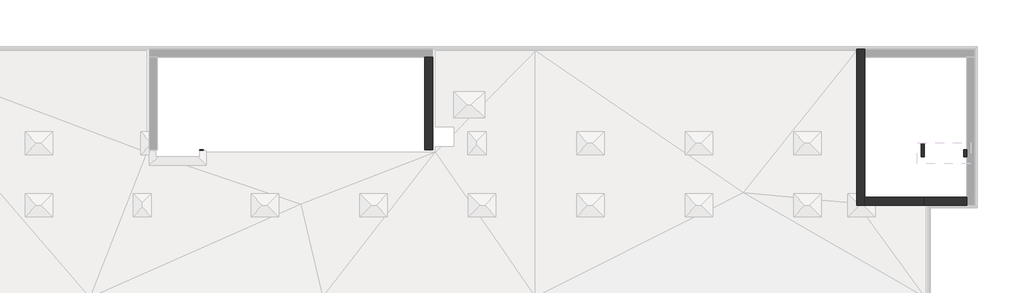
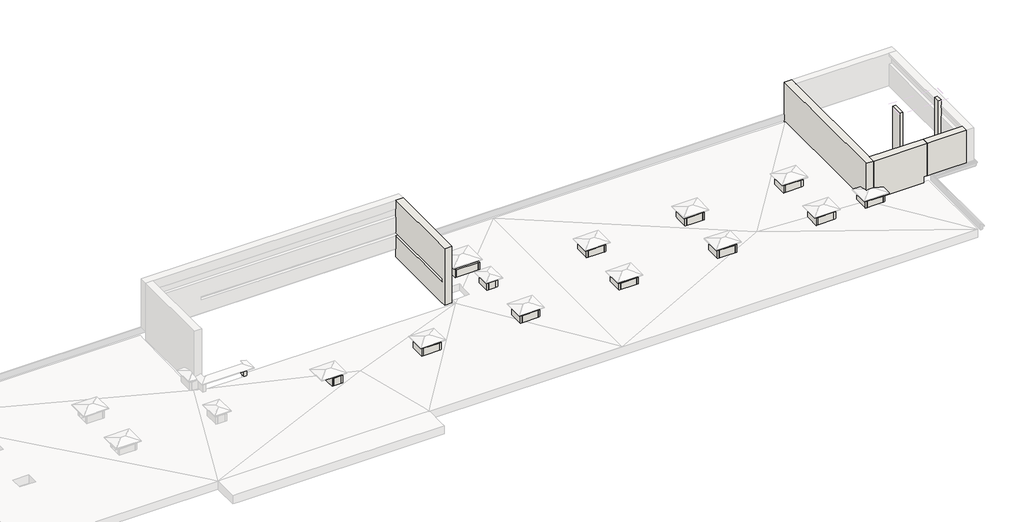
# One storey, part 2 of 5: 55 walls.
"""IFC4 building model written with IfcOpenShell, lengths in millimetres."""

from ifc_helpers import new_model, si_unit, frame, origin, place, context, project, spatial, polyline, outline, extrude, faceted_brep, element, save

model = new_model("IFC4")

# Units and contexts
model_context = context("Model", 3, world=origin())
ifc_project = project(units=[si_unit("LENGTHUNIT", "METRE", prefix="MILLI")], contexts=[model_context])

# Site, building, storey
site = spatial("IfcSite", under=ifc_project)
building = spatial("IfcBuilding", under=site)
storey = spatial("IfcBuildingStorey", under=building, Elevation=33100.0)

# Walls
placement = place(None, origin())
element("IfcWall", 1, at=placement, inside=storey, context=model_context, shape_type="Brep", body=[
    faceted_brep([(14710.0112841, 393.1079487, 33100.0), (14710.0112841, -4996.8920513, 33100.0), (14710.0112841, -5506.8920513, 33100.0), (14710.0112841, -5506.8920513, 36862.0), (14710.0112841, -5506.8920513, 37299.5128869), (14710.0112841, -5506.8920513, 37300.0), (14710.0112841, -4996.8920513, 37300.0), (14710.0112841, 393.1079487, 37300.0), (14710.0112841, 393.1079487, 34900.0), (14710.0112841, -4996.8920513, 34900.0), (14710.0112841, -5251.8920513, 34900.0), (14710.0112841, -5251.8920513, 34680.0), (14710.0112841, -4996.8920513, 34680.0), (14710.0112841, 393.1079487, 34680.0), (15220.0112841, -5506.8920513, 33100.0), (15220.0112841, -5296.8920513, 33100.0), (15220.0112841, -5096.8920513, 33100.0), (15220.0112841, -4046.8920513, 33100.0), (15220.0112841, -3846.8920513, 33100.0), (15220.0112841, 393.1079487, 33100.0), (15220.0112841, 393.1079487, 33700.0), (15220.0112841, 393.1079487, 36862.0), (15220.0112841, 393.1079487, 37299.5128869), (15220.0112841, 393.1079487, 37300.0), (15220.0112841, -5506.8920513, 37300.0), (15220.0112841, -5506.8920513, 37299.5128869), (15220.0112841, -5506.8920513, 36862.0), (14910.0112841, -5251.8920513, 34680.0), (14910.0112841, 393.1079487, 34680.0), (14910.0112841, 393.1079487, 34900.0), (14910.0112841, -5251.8920513, 34900.0)], [[[0, 1, 2, 3, 4, 5, 6, 7, 8, 9, 10, 11, 12, 13]], [[14, 15, 16, 17, 18, 19, 20, 21, 22, 23, 24, 25, 26]], [[2, 1, 0, 19, 18, 17, 16, 15, 14]], [[7, 6, 5, 24, 23]], [[2, 14, 26, 25, 24, 5, 4, 3]], [[11, 27, 28, 13, 12]], [[29, 30, 10, 9, 8]], [[30, 27, 11, 10]], [[27, 30, 29, 28]], [[7, 23, 22, 21, 20, 19, 0, 13, 28, 29, 8]]]),
])
element("IfcWall", 2, at=placement, inside=storey, context=model_context, shape_type="Brep", body=[
    faceted_brep([(10900.0112841, -9546.8920513, 33000.0), (10900.0112841, -9426.8920513, 33000.0), (10900.0112841, -8626.8920513, 33000.0), (10900.0112841, -8506.8920513, 33000.0), (10900.0112841, -8506.8920513, 33700.0), (10900.0112841, -8626.8920513, 33700.0), (10900.0112841, -9426.8920513, 33700.0), (10900.0112841, -9546.8920513, 33700.0), (10780.0112841, -9546.8920513, 33000.0), (10780.0112841, -9546.8920513, 33700.0), (10780.0112841, -8506.8920513, 33700.0), (10780.0112841, -8506.8920513, 33000.0)], [[[0, 1, 2, 3, 4, 5, 6, 7]], [[8, 9, 10, 11]], [[3, 2, 1, 0, 8, 11]], [[7, 6, 5, 4, 10, 9]], [[4, 3, 11, 10]], [[0, 7, 9, 8]]]),
])
element("IfcWall", 3, at=placement, inside=storey, context=model_context, shape_type="Brep", body=[
    faceted_brep([(10900.0112841, -8626.8920513, 33000.0), (12020.0112841, -8626.8920513, 33000.0), (12140.0112841, -8626.8920513, 33000.0), (12140.0112841, -8626.8920513, 33700.0), (12020.0112841, -8626.8920513, 33700.0), (10900.0112841, -8626.8920513, 33700.0), (10900.0112841, -8506.8920513, 33000.0), (10900.0112841, -8506.8920513, 33700.0), (12140.0112841, -8506.8920513, 33700.0), (12140.0112841, -8506.8920513, 33000.0)], [[[0, 1, 2, 3, 4, 5]], [[6, 7, 8, 9]], [[2, 1, 0, 6, 9]], [[5, 4, 3, 8, 7]], [[0, 5, 7, 6]], [[3, 2, 9, 8]]]),
])
element("IfcWall", 4, at=placement, inside=storey, context=model_context, shape_type="Brep", body=[
    faceted_brep([(12020.0112841, -8626.8920513, 33000.0), (12020.0112841, -9426.8920513, 33000.0), (12020.0112841, -9546.8920513, 33000.0), (12020.0112841, -9546.8920513, 33700.0), (12020.0112841, -9426.8920513, 33700.0), (12020.0112841, -8626.8920513, 33700.0), (12140.0112841, -8626.8920513, 33000.0), (12140.0112841, -8626.8920513, 33700.0), (12140.0112841, -9546.8920513, 33700.0), (12140.0112841, -9546.8920513, 33000.0)], [[[0, 1, 2, 3, 4, 5]], [[6, 7, 8, 9]], [[2, 1, 0, 6, 9]], [[5, 4, 3, 8, 7]], [[0, 5, 7, 6]], [[3, 2, 9, 8]]]),
])
element("IfcWall", 5, at=placement, inside=storey, context=model_context, shape_type="SweptSolid", body=[
    extrude(outline(polyline([(10900.0112841, -9426.8920513), (12020.0112841, -9426.8920513), (12020.0112841, -9546.8920513), (10900.0112841, -9546.8920513), (10900.0112841, -9426.8920513)])), frame((0.0, 0.0, 33000.0), z_axis=(0.0, 0.0, 1.0), x_axis=(1.0, 0.0, 0.0)), (0.0, 0.0, 1.0), 700.0),
])
element("IfcWall", 6, at=placement, inside=storey, context=model_context, shape_type="Brep", body=[
    faceted_brep([(4620.0112841, -9546.8920513, 33000.0), (4620.0112841, -9426.8920513, 33000.0), (4620.0112841, -8626.8920513, 33000.0), (4620.0112841, -8506.8920513, 33000.0), (4620.0112841, -8506.8920513, 33700.0), (4620.0112841, -8626.8920513, 33700.0), (4620.0112841, -9426.8920513, 33700.0), (4620.0112841, -9546.8920513, 33700.0), (4500.0112841, -9546.8920513, 33000.0), (4500.0112841, -9546.8920513, 33700.0), (4500.0112841, -8506.8920513, 33700.0), (4500.0112841, -8506.8920513, 33000.0)], [[[0, 1, 2, 3, 4, 5, 6, 7]], [[8, 9, 10, 11]], [[3, 2, 1, 0, 8, 11]], [[7, 6, 5, 4, 10, 9]], [[4, 3, 11, 10]], [[0, 7, 9, 8]]]),
])
element("IfcWall", 7, at=placement, inside=storey, context=model_context, shape_type="Brep", body=[
    faceted_brep([(4620.0112841, -8626.8920513, 33000.0), (5120.0112841, -8626.8920513, 33000.0), (5240.0112841, -8626.8920513, 33000.0), (5240.0112841, -8626.8920513, 33700.0), (5120.0112841, -8626.8920513, 33700.0), (4620.0112841, -8626.8920513, 33700.0), (4620.0112841, -8506.8920513, 33000.0), (4620.0112841, -8506.8920513, 33700.0), (5240.0112841, -8506.8920513, 33700.0), (5240.0112841, -8506.8920513, 33000.0)], [[[0, 1, 2, 3, 4, 5]], [[6, 7, 8, 9]], [[2, 1, 0, 6, 9]], [[5, 4, 3, 8, 7]], [[0, 5, 7, 6]], [[3, 2, 9, 8]]]),
])
element("IfcWall", 8, at=placement, inside=storey, context=model_context, shape_type="Brep", body=[
    faceted_brep([(5120.0112841, -8626.8920513, 33000.0), (5120.0112841, -9426.8920513, 33000.0), (5120.0112841, -9546.8920513, 33000.0), (5120.0112841, -9546.8920513, 33700.0), (5120.0112841, -9426.8920513, 33700.0), (5120.0112841, -8626.8920513, 33700.0), (5240.0112841, -8626.8920513, 33000.0), (5240.0112841, -8626.8920513, 33700.0), (5240.0112841, -9546.8920513, 33700.0), (5240.0112841, -9546.8920513, 33000.0)], [[[0, 1, 2, 3, 4, 5]], [[6, 7, 8, 9]], [[2, 1, 0, 6, 9]], [[5, 4, 3, 8, 7]], [[0, 5, 7, 6]], [[3, 2, 9, 8]]]),
])
element("IfcWall", 9, at=placement, inside=storey, context=model_context, shape_type="SweptSolid", body=[
    extrude(outline(polyline([(4620.0112841, -9426.8920513), (5120.0112841, -9426.8920513), (5120.0112841, -9546.8920513), (4620.0112841, -9546.8920513), (4620.0112841, -9426.8920513)])), frame((0.0, 0.0, 33000.0), z_axis=(0.0, 0.0, 1.0), x_axis=(1.0, 0.0, 0.0)), (0.0, 0.0, 1.0), 700.0),
])
element("IfcWall", 10, at=placement, inside=storey, context=model_context, shape_type="Brep", body=[
    faceted_brep([(17800.0112841, -9546.8920513, 33000.0), (17800.0112841, -9426.8920513, 33000.0), (17800.0112841, -8626.8920513, 33000.0), (17800.0112841, -8506.8920513, 33000.0), (17800.0112841, -8506.8920513, 33700.0), (17800.0112841, -8626.8920513, 33700.0), (17800.0112841, -9426.8920513, 33700.0), (17800.0112841, -9546.8920513, 33700.0), (17680.0112841, -9546.8920513, 33000.0), (17680.0112841, -9546.8920513, 33700.0), (17680.0112841, -8506.8920513, 33700.0), (17680.0112841, -8506.8920513, 33000.0)], [[[0, 1, 2, 3, 4, 5, 6, 7]], [[8, 9, 10, 11]], [[3, 2, 1, 0, 8, 11]], [[7, 6, 5, 4, 10, 9]], [[4, 3, 11, 10]], [[0, 7, 9, 8]]]),
])
element("IfcWall", 11, at=placement, inside=storey, context=model_context, shape_type="Brep", body=[
    faceted_brep([(17800.0112841, -8626.8920513, 33000.0), (18920.0112841, -8626.8920513, 33000.0), (19040.0112841, -8626.8920513, 33000.0), (19040.0112841, -8626.8920513, 33700.0), (18920.0112841, -8626.8920513, 33700.0), (17800.0112841, -8626.8920513, 33700.0), (17800.0112841, -8506.8920513, 33000.0), (17800.0112841, -8506.8920513, 33700.0), (19040.0112841, -8506.8920513, 33700.0), (19040.0112841, -8506.8920513, 33000.0)], [[[0, 1, 2, 3, 4, 5]], [[6, 7, 8, 9]], [[2, 1, 0, 6, 9]], [[5, 4, 3, 8, 7]], [[0, 5, 7, 6]], [[3, 2, 9, 8]]]),
])
element("IfcWall", 12, at=placement, inside=storey, context=model_context, shape_type="Brep", body=[
    faceted_brep([(18920.0112841, -8626.8920513, 33000.0), (18920.0112841, -9426.8920513, 33000.0), (18920.0112841, -9546.8920513, 33000.0), (18920.0112841, -9546.8920513, 33700.0), (18920.0112841, -9426.8920513, 33700.0), (18920.0112841, -8626.8920513, 33700.0), (19040.0112841, -8626.8920513, 33000.0), (19040.0112841, -8626.8920513, 33700.0), (19040.0112841, -9546.8920513, 33700.0), (19040.0112841, -9546.8920513, 33000.0)], [[[0, 1, 2, 3, 4, 5]], [[6, 7, 8, 9]], [[2, 1, 0, 6, 9]], [[5, 4, 3, 8, 7]], [[0, 5, 7, 6]], [[3, 2, 9, 8]]]),
])
element("IfcWall", 13, at=placement, inside=storey, context=model_context, shape_type="SweptSolid", body=[
    extrude(outline(polyline([(17800.0112841, -9426.8920513), (18920.0112841, -9426.8920513), (18920.0112841, -9546.8920513), (17800.0112841, -9546.8920513), (17800.0112841, -9426.8920513)])), frame((0.0, 0.0, 33000.0), z_axis=(0.0, 0.0, 1.0), x_axis=(1.0, 0.0, 0.0)), (0.0, 0.0, 1.0), 700.0),
])
element("IfcWall", 14, at=placement, inside=storey, context=model_context, shape_type="Brep", body=[
    faceted_brep([(24700.0112841, -9546.8920513, 33000.0), (24700.0112841, -9426.8920513, 33000.0), (24700.0112841, -8626.8920513, 33000.0), (24700.0112841, -8506.8920513, 33000.0), (24700.0112841, -8506.8920513, 33700.0), (24700.0112841, -8626.8920513, 33700.0), (24700.0112841, -9426.8920513, 33700.0), (24700.0112841, -9546.8920513, 33700.0), (24580.0112841, -9546.8920513, 33000.0), (24580.0112841, -9546.8920513, 33700.0), (24580.0112841, -8506.8920513, 33700.0), (24580.0112841, -8506.8920513, 33000.0)], [[[0, 1, 2, 3, 4, 5, 6, 7]], [[8, 9, 10, 11]], [[3, 2, 1, 0, 8, 11]], [[7, 6, 5, 4, 10, 9]], [[4, 3, 11, 10]], [[0, 7, 9, 8]]]),
])
element("IfcWall", 15, at=placement, inside=storey, context=model_context, shape_type="Brep", body=[
    faceted_brep([(24700.0112841, -8626.8920513, 33000.0), (25820.0112841, -8626.8920513, 33000.0), (25940.0112841, -8626.8920513, 33000.0), (25940.0112841, -8626.8920513, 33700.0), (25820.0112841, -8626.8920513, 33700.0), (24700.0112841, -8626.8920513, 33700.0), (24700.0112841, -8506.8920513, 33000.0), (24700.0112841, -8506.8920513, 33700.0), (25940.0112841, -8506.8920513, 33700.0), (25940.0112841, -8506.8920513, 33000.0)], [[[0, 1, 2, 3, 4, 5]], [[6, 7, 8, 9]], [[2, 1, 0, 6, 9]], [[5, 4, 3, 8, 7]], [[0, 5, 7, 6]], [[3, 2, 9, 8]]]),
])
element("IfcWall", 16, at=placement, inside=storey, context=model_context, shape_type="Brep", body=[
    faceted_brep([(25820.0112841, -8626.8920513, 33000.0), (25820.0112841, -9426.8920513, 33000.0), (25820.0112841, -9546.8920513, 33000.0), (25820.0112841, -9546.8920513, 33700.0), (25820.0112841, -9426.8920513, 33700.0), (25820.0112841, -8626.8920513, 33700.0), (25940.0112841, -8626.8920513, 33000.0), (25940.0112841, -8626.8920513, 33700.0), (25940.0112841, -9546.8920513, 33700.0), (25940.0112841, -9546.8920513, 33000.0)], [[[0, 1, 2, 3, 4, 5]], [[6, 7, 8, 9]], [[2, 1, 0, 6, 9]], [[5, 4, 3, 8, 7]], [[0, 5, 7, 6]], [[3, 2, 9, 8]]]),
])
element("IfcWall", 17, at=placement, inside=storey, context=model_context, shape_type="SweptSolid", body=[
    extrude(outline(polyline([(24700.0112841, -9426.8920513), (25820.0112841, -9426.8920513), (25820.0112841, -9546.8920513), (24700.0112841, -9546.8920513), (24700.0112841, -9426.8920513)])), frame((0.0, 0.0, 33000.0), z_axis=(0.0, 0.0, 1.0), x_axis=(1.0, 0.0, 0.0)), (0.0, 0.0, 1.0), 700.0),
])
element("IfcWall", 18, at=placement, inside=storey, context=model_context, shape_type="Brep", body=[
    faceted_brep([(24700.0112841, -5606.8920513, 33000.0), (24700.0112841, -5486.8920513, 33000.0), (24700.0112841, -4686.8920513, 33000.0), (24700.0112841, -4566.8920513, 33000.0), (24700.0112841, -4566.8920513, 33700.0), (24700.0112841, -4686.8920513, 33700.0), (24700.0112841, -5486.8920513, 33700.0), (24700.0112841, -5606.8920513, 33700.0), (24580.0112841, -5606.8920513, 33000.0), (24580.0112841, -5606.8920513, 33700.0), (24580.0112841, -4566.8920513, 33700.0), (24580.0112841, -4566.8920513, 33000.0)], [[[0, 1, 2, 3, 4, 5, 6, 7]], [[8, 9, 10, 11]], [[3, 2, 1, 0, 8, 11]], [[7, 6, 5, 4, 10, 9]], [[4, 3, 11, 10]], [[0, 7, 9, 8]]]),
])
element("IfcWall", 19, at=placement, inside=storey, context=model_context, shape_type="Brep", body=[
    faceted_brep([(24700.0112841, -4686.8920513, 33000.0), (25820.0112841, -4686.8920513, 33000.0), (25940.0112841, -4686.8920513, 33000.0), (25940.0112841, -4686.8920513, 33700.0), (25820.0112841, -4686.8920513, 33700.0), (24700.0112841, -4686.8920513, 33700.0), (24700.0112841, -4566.8920513, 33000.0), (24700.0112841, -4566.8920513, 33700.0), (25940.0112841, -4566.8920513, 33700.0), (25940.0112841, -4566.8920513, 33000.0)], [[[0, 1, 2, 3, 4, 5]], [[6, 7, 8, 9]], [[2, 1, 0, 6, 9]], [[5, 4, 3, 8, 7]], [[0, 5, 7, 6]], [[3, 2, 9, 8]]]),
])
element("IfcWall", 20, at=placement, inside=storey, context=model_context, shape_type="Brep", body=[
    faceted_brep([(25820.0112841, -4686.8920513, 33000.0), (25820.0112841, -5486.8920513, 33000.0), (25820.0112841, -5606.8920513, 33000.0), (25820.0112841, -5606.8920513, 33700.0), (25820.0112841, -5486.8920513, 33700.0), (25820.0112841, -4686.8920513, 33700.0), (25940.0112841, -4686.8920513, 33000.0), (25940.0112841, -4686.8920513, 33700.0), (25940.0112841, -5606.8920513, 33700.0), (25940.0112841, -5606.8920513, 33000.0)], [[[0, 1, 2, 3, 4, 5]], [[6, 7, 8, 9]], [[2, 1, 0, 6, 9]], [[5, 4, 3, 8, 7]], [[0, 5, 7, 6]], [[3, 2, 9, 8]]]),
])
element("IfcWall", 21, at=placement, inside=storey, context=model_context, shape_type="SweptSolid", body=[
    extrude(outline(polyline([(24700.0112841, -5486.8920513), (25820.0112841, -5486.8920513), (25820.0112841, -5606.8920513), (24700.0112841, -5606.8920513), (24700.0112841, -5486.8920513)])), frame((0.0, 0.0, 33000.0), z_axis=(0.0, 0.0, 1.0), x_axis=(1.0, 0.0, 0.0)), (0.0, 0.0, 1.0), 700.0),
])
element("IfcWall", 22, at=placement, inside=storey, context=model_context, shape_type="Brep", body=[
    faceted_brep([(31600.0112841, -5606.8920513, 33000.0), (31600.0112841, -5486.8920513, 33000.0), (31600.0112841, -4686.8920513, 33000.0), (31600.0112841, -4566.8920513, 33000.0), (31600.0112841, -4566.8920513, 33700.0), (31600.0112841, -4686.8920513, 33700.0), (31600.0112841, -5486.8920513, 33700.0), (31600.0112841, -5606.8920513, 33700.0), (31480.0112841, -5606.8920513, 33000.0), (31480.0112841, -5606.8920513, 33700.0), (31480.0112841, -4566.8920513, 33700.0), (31480.0112841, -4566.8920513, 33000.0)], [[[0, 1, 2, 3, 4, 5, 6, 7]], [[8, 9, 10, 11]], [[3, 2, 1, 0, 8, 11]], [[7, 6, 5, 4, 10, 9]], [[4, 3, 11, 10]], [[0, 7, 9, 8]]]),
])
element("IfcWall", 23, at=placement, inside=storey, context=model_context, shape_type="Brep", body=[
    faceted_brep([(31600.0112841, -4686.8920513, 33000.0), (32720.0112841, -4686.8920513, 33000.0), (32840.0112841, -4686.8920513, 33000.0), (32840.0112841, -4686.8920513, 33700.0), (32720.0112841, -4686.8920513, 33700.0), (31600.0112841, -4686.8920513, 33700.0), (31600.0112841, -4566.8920513, 33000.0), (31600.0112841, -4566.8920513, 33700.0), (32840.0112841, -4566.8920513, 33700.0), (32840.0112841, -4566.8920513, 33000.0)], [[[0, 1, 2, 3, 4, 5]], [[6, 7, 8, 9]], [[2, 1, 0, 6, 9]], [[5, 4, 3, 8, 7]], [[0, 5, 7, 6]], [[3, 2, 9, 8]]]),
])
element("IfcWall", 24, at=placement, inside=storey, context=model_context, shape_type="Brep", body=[
    faceted_brep([(32720.0112841, -4686.8920513, 33000.0), (32720.0112841, -5486.8920513, 33000.0), (32720.0112841, -5606.8920513, 33000.0), (32720.0112841, -5606.8920513, 33700.0), (32720.0112841, -5486.8920513, 33700.0), (32720.0112841, -4686.8920513, 33700.0), (32840.0112841, -4686.8920513, 33000.0), (32840.0112841, -4686.8920513, 33700.0), (32840.0112841, -5606.8920513, 33700.0), (32840.0112841, -5606.8920513, 33000.0)], [[[0, 1, 2, 3, 4, 5]], [[6, 7, 8, 9]], [[2, 1, 0, 6, 9]], [[5, 4, 3, 8, 7]], [[0, 5, 7, 6]], [[3, 2, 9, 8]]]),
])
element("IfcWall", 25, at=placement, inside=storey, context=model_context, shape_type="SweptSolid", body=[
    extrude(outline(polyline([(31600.0112841, -5486.8920513), (32720.0112841, -5486.8920513), (32720.0112841, -5606.8920513), (31600.0112841, -5606.8920513), (31600.0112841, -5486.8920513)])), frame((0.0, 0.0, 33000.0), z_axis=(0.0, 0.0, 1.0), x_axis=(1.0, 0.0, 0.0)), (0.0, 0.0, 1.0), 700.0),
])
element("IfcWall", 26, at=placement, inside=storey, context=model_context, shape_type="Brep", body=[
    faceted_brep([(31600.0112841, -9546.8920513, 33000.0), (31600.0112841, -9426.8920513, 33000.0), (31600.0112841, -8626.8920513, 33000.0), (31600.0112841, -8506.8920513, 33000.0), (31600.0112841, -8506.8920513, 33700.0), (31600.0112841, -8626.8920513, 33700.0), (31600.0112841, -9426.8920513, 33700.0), (31600.0112841, -9546.8920513, 33700.0), (31480.0112841, -9546.8920513, 33000.0), (31480.0112841, -9546.8920513, 33700.0), (31480.0112841, -8506.8920513, 33700.0), (31480.0112841, -8506.8920513, 33000.0)], [[[0, 1, 2, 3, 4, 5, 6, 7]], [[8, 9, 10, 11]], [[3, 2, 1, 0, 8, 11]], [[7, 6, 5, 4, 10, 9]], [[4, 3, 11, 10]], [[0, 7, 9, 8]]]),
])
element("IfcWall", 27, at=placement, inside=storey, context=model_context, shape_type="Brep", body=[
    faceted_brep([(31600.0112841, -8626.8920513, 33000.0), (32720.0112841, -8626.8920513, 33000.0), (32840.0112841, -8626.8920513, 33000.0), (32840.0112841, -8626.8920513, 33700.0), (32720.0112841, -8626.8920513, 33700.0), (31600.0112841, -8626.8920513, 33700.0), (31600.0112841, -8506.8920513, 33000.0), (31600.0112841, -8506.8920513, 33700.0), (32840.0112841, -8506.8920513, 33700.0), (32840.0112841, -8506.8920513, 33000.0)], [[[0, 1, 2, 3, 4, 5]], [[6, 7, 8, 9]], [[2, 1, 0, 6, 9]], [[5, 4, 3, 8, 7]], [[0, 5, 7, 6]], [[3, 2, 9, 8]]]),
])
element("IfcWall", 28, at=placement, inside=storey, context=model_context, shape_type="Brep", body=[
    faceted_brep([(32720.0112841, -8626.8920513, 33000.0), (32720.0112841, -9426.8920513, 33000.0), (32720.0112841, -9546.8920513, 33000.0), (32720.0112841, -9546.8920513, 33700.0), (32720.0112841, -9426.8920513, 33700.0), (32720.0112841, -8626.8920513, 33700.0), (32840.0112841, -8626.8920513, 33000.0), (32840.0112841, -8626.8920513, 33700.0), (32840.0112841, -9546.8920513, 33700.0), (32840.0112841, -9546.8920513, 33000.0)], [[[0, 1, 2, 3, 4, 5]], [[6, 7, 8, 9]], [[2, 1, 0, 6, 9]], [[5, 4, 3, 8, 7]], [[0, 5, 7, 6]], [[3, 2, 9, 8]]]),
])
element("IfcWall", 29, at=placement, inside=storey, context=model_context, shape_type="SweptSolid", body=[
    extrude(outline(polyline([(31600.0112841, -9426.8920513), (32720.0112841, -9426.8920513), (32720.0112841, -9546.8920513), (31600.0112841, -9546.8920513), (31600.0112841, -9426.8920513)])), frame((0.0, 0.0, 33000.0), z_axis=(0.0, 0.0, 1.0), x_axis=(1.0, 0.0, 0.0)), (0.0, 0.0, 1.0), 700.0),
])
element("IfcWall", 30, at=placement, inside=storey, context=model_context, shape_type="Brep", body=[
    faceted_brep([(38500.0112841, -9546.8920513, 33000.0), (38500.0112841, -9426.8920513, 33000.0), (38500.0112841, -8626.8920513, 33000.0), (38500.0112841, -8506.8920513, 33000.0), (38500.0112841, -8506.8920513, 33700.0), (38500.0112841, -8626.8920513, 33700.0), (38500.0112841, -9426.8920513, 33700.0), (38500.0112841, -9546.8920513, 33700.0), (38380.0112841, -9546.8920513, 33000.0), (38380.0112841, -9546.8920513, 33700.0), (38380.0112841, -8506.8920513, 33700.0), (38380.0112841, -8506.8920513, 33000.0)], [[[0, 1, 2, 3, 4, 5, 6, 7]], [[8, 9, 10, 11]], [[3, 2, 1, 0, 8, 11]], [[7, 6, 5, 4, 10, 9]], [[4, 3, 11, 10]], [[0, 7, 9, 8]]]),
])
element("IfcWall", 31, at=placement, inside=storey, context=model_context, shape_type="Brep", body=[
    faceted_brep([(38500.0112841, -8626.8920513, 33000.0), (39620.0112841, -8626.8920513, 33000.0), (39740.0112841, -8626.8920513, 33000.0), (39740.0112841, -8626.8920513, 33700.0), (39620.0112841, -8626.8920513, 33700.0), (38500.0112841, -8626.8920513, 33700.0), (38500.0112841, -8506.8920513, 33000.0), (38500.0112841, -8506.8920513, 33700.0), (39740.0112841, -8506.8920513, 33700.0), (39740.0112841, -8506.8920513, 33000.0)], [[[0, 1, 2, 3, 4, 5]], [[6, 7, 8, 9]], [[2, 1, 0, 6, 9]], [[5, 4, 3, 8, 7]], [[0, 5, 7, 6]], [[3, 2, 9, 8]]]),
])
element("IfcWall", 32, at=placement, inside=storey, context=model_context, shape_type="Brep", body=[
    faceted_brep([(39620.0112841, -8626.8920513, 33000.0), (39620.0112841, -9426.8920513, 33000.0), (39620.0112841, -9546.8920513, 33000.0), (39620.0112841, -9546.8920513, 33700.0), (39620.0112841, -9426.8920513, 33700.0), (39620.0112841, -8626.8920513, 33700.0), (39740.0112841, -8626.8920513, 33000.0), (39740.0112841, -8626.8920513, 33700.0), (39740.0112841, -9546.8920513, 33700.0), (39740.0112841, -9546.8920513, 33000.0)], [[[0, 1, 2, 3, 4, 5]], [[6, 7, 8, 9]], [[2, 1, 0, 6, 9]], [[5, 4, 3, 8, 7]], [[0, 5, 7, 6]], [[3, 2, 9, 8]]]),
])
element("IfcWall", 33, at=placement, inside=storey, context=model_context, shape_type="SweptSolid", body=[
    extrude(outline(polyline([(38500.0112841, -9426.8920513), (39620.0112841, -9426.8920513), (39620.0112841, -9546.8920513), (38500.0112841, -9546.8920513), (38500.0112841, -9426.8920513)])), frame((0.0, 0.0, 33000.0), z_axis=(0.0, 0.0, 1.0), x_axis=(1.0, 0.0, 0.0)), (0.0, 0.0, 1.0), 700.0),
])
element("IfcWall", 34, at=placement, inside=storey, context=model_context, shape_type="Brep", body=[
    faceted_brep([(38500.0112841, -5606.8920513, 33000.0), (38500.0112841, -5486.8920513, 33000.0), (38500.0112841, -4686.8920513, 33000.0), (38500.0112841, -4566.8920513, 33000.0), (38500.0112841, -4566.8920513, 33700.0), (38500.0112841, -4686.8920513, 33700.0), (38500.0112841, -5486.8920513, 33700.0), (38500.0112841, -5606.8920513, 33700.0), (38380.0112841, -5606.8920513, 33000.0), (38380.0112841, -5606.8920513, 33700.0), (38380.0112841, -4566.8920513, 33700.0), (38380.0112841, -4566.8920513, 33000.0)], [[[0, 1, 2, 3, 4, 5, 6, 7]], [[8, 9, 10, 11]], [[3, 2, 1, 0, 8, 11]], [[7, 6, 5, 4, 10, 9]], [[4, 3, 11, 10]], [[0, 7, 9, 8]]]),
])
element("IfcWall", 35, at=placement, inside=storey, context=model_context, shape_type="Brep", body=[
    faceted_brep([(38500.0112841, -4686.8920513, 33000.0), (39620.0112841, -4686.8920513, 33000.0), (39740.0112841, -4686.8920513, 33000.0), (39740.0112841, -4686.8920513, 33700.0), (39620.0112841, -4686.8920513, 33700.0), (38500.0112841, -4686.8920513, 33700.0), (38500.0112841, -4566.8920513, 33000.0), (38500.0112841, -4566.8920513, 33700.0), (39740.0112841, -4566.8920513, 33700.0), (39740.0112841, -4566.8920513, 33000.0)], [[[0, 1, 2, 3, 4, 5]], [[6, 7, 8, 9]], [[2, 1, 0, 6, 9]], [[5, 4, 3, 8, 7]], [[0, 5, 7, 6]], [[3, 2, 9, 8]]]),
])
element("IfcWall", 36, at=placement, inside=storey, context=model_context, shape_type="Brep", body=[
    faceted_brep([(39620.0112841, -4686.8920513, 33000.0), (39620.0112841, -5486.8920513, 33000.0), (39620.0112841, -5606.8920513, 33000.0), (39620.0112841, -5606.8920513, 33700.0), (39620.0112841, -5486.8920513, 33700.0), (39620.0112841, -4686.8920513, 33700.0), (39740.0112841, -4686.8920513, 33000.0), (39740.0112841, -4686.8920513, 33700.0), (39740.0112841, -5606.8920513, 33700.0), (39740.0112841, -5606.8920513, 33000.0)], [[[0, 1, 2, 3, 4, 5]], [[6, 7, 8, 9]], [[2, 1, 0, 6, 9]], [[5, 4, 3, 8, 7]], [[0, 5, 7, 6]], [[3, 2, 9, 8]]]),
])
element("IfcWall", 37, at=placement, inside=storey, context=model_context, shape_type="SweptSolid", body=[
    extrude(outline(polyline([(38500.0112841, -5486.8920513), (39620.0112841, -5486.8920513), (39620.0112841, -5606.8920513), (38500.0112841, -5606.8920513), (38500.0112841, -5486.8920513)])), frame((0.0, 0.0, 33000.0), z_axis=(0.0, 0.0, 1.0), x_axis=(1.0, 0.0, 0.0)), (0.0, 0.0, 1.0), 700.0),
])
element("IfcWall", 38, at=placement, inside=storey, context=model_context, shape_type="Brep", body=[
    faceted_brep([(41950.0112841, -9546.8920513, 33000.0), (41950.0112841, -9426.8920513, 33000.0), (41950.0112841, -8626.8920513, 33000.0), (41950.0112841, -8506.8920513, 33000.0), (41950.0112841, -8506.8920513, 33700.0), (41950.0112841, -8626.8920513, 33700.0), (41950.0112841, -9426.8920513, 33700.0), (41950.0112841, -9546.8920513, 33700.0), (41830.0112841, -9546.8920513, 33000.0), (41830.0112841, -9546.8920513, 33700.0), (41830.0112841, -8506.8920513, 33700.0), (41830.0112841, -8506.8920513, 33000.0)], [[[0, 1, 2, 3, 4, 5, 6, 7]], [[8, 9, 10, 11]], [[3, 2, 1, 0, 8, 11]], [[7, 6, 5, 4, 10, 9]], [[4, 3, 11, 10]], [[0, 7, 9, 8]]]),
])
element("IfcWall", 39, at=placement, inside=storey, context=model_context, shape_type="Brep", body=[
    faceted_brep([(41950.0112841, -8626.8920513, 33000.0), (43070.0112841, -8626.8920513, 33000.0), (43190.0112841, -8626.8920513, 33000.0), (43190.0112841, -8626.8920513, 33700.0), (43070.0112841, -8626.8920513, 33700.0), (41950.0112841, -8626.8920513, 33700.0), (41950.0112841, -8506.8920513, 33000.0), (41950.0112841, -8506.8920513, 33700.0), (43190.0112841, -8506.8920513, 33700.0), (43190.0112841, -8506.8920513, 33000.0)], [[[0, 1, 2, 3, 4, 5]], [[6, 7, 8, 9]], [[2, 1, 0, 6, 9]], [[5, 4, 3, 8, 7]], [[0, 5, 7, 6]], [[3, 2, 9, 8]]]),
])
element("IfcWall", 40, at=placement, inside=storey, context=model_context, shape_type="Brep", body=[
    faceted_brep([(43070.0112841, -8626.8920513, 33000.0), (43070.0112841, -9426.8920513, 33000.0), (43070.0112841, -9546.8920513, 33000.0), (43070.0112841, -9546.8920513, 33700.0), (43070.0112841, -9426.8920513, 33700.0), (43070.0112841, -8626.8920513, 33700.0), (43190.0112841, -8626.8920513, 33000.0), (43190.0112841, -8626.8920513, 33700.0), (43190.0112841, -9546.8920513, 33700.0), (43190.0112841, -9546.8920513, 33000.0)], [[[0, 1, 2, 3, 4, 5]], [[6, 7, 8, 9]], [[2, 1, 0, 6, 9]], [[5, 4, 3, 8, 7]], [[0, 5, 7, 6]], [[3, 2, 9, 8]]]),
])
element("IfcWall", 41, at=placement, inside=storey, context=model_context, shape_type="SweptSolid", body=[
    extrude(outline(polyline([(41950.0112841, -9426.8920513), (43070.0112841, -9426.8920513), (43070.0112841, -9546.8920513), (41950.0112841, -9546.8920513), (41950.0112841, -9426.8920513)])), frame((0.0, 0.0, 33000.0), z_axis=(0.0, 0.0, 1.0), x_axis=(1.0, 0.0, 0.0)), (0.0, 0.0, 1.0), 700.0),
])
element("IfcWall", 42, at=placement, inside=storey, context=model_context, shape_type="Brep", body=[
    faceted_brep([(42200.0112841, -9016.8920513, 36100.0), (42200.0112841, 903.1079487, 36100.0), (42200.0112841, 903.1079487, 36099.5128869), (42200.0112841, 903.1079487, 35662.0), (42200.0112841, 903.1079487, 30800.0), (42200.0112841, 793.1079487, 30800.0), (42200.0112841, 793.1079487, 30900.0), (42200.0112841, -9016.8920513, 30900.0), (42200.0112841, -9016.8920513, 32652.0), (42200.0112841, -8906.8920513, 32652.0), (42200.0112841, -8906.8920513, 33250.0), (42200.0112841, -9016.8920513, 33248.1942816), (42200.0112841, -9016.8920513, 35662.0), (42200.0112841, -9016.8920513, 36099.5128869), (42710.0112841, 903.1079487, 36100.0), (42710.0112841, 393.1079487, 36100.0), (42710.0112841, -8506.8920513, 36100.0), (42710.0112841, -9016.8920513, 36100.0), (42710.0112841, -9016.8920513, 36099.5128869), (42710.0112841, -9016.8920513, 35662.0), (42710.0112841, -9016.8920513, 33100.0), (42710.0112841, -9016.8920513, 30800.0), (42710.0112841, -8906.8920513, 30800.0), (42710.0112841, -8906.8920513, 30900.0), (42710.0112841, -8626.8920513, 30900.0), (42710.0112841, 903.1079487, 30900.0), (42710.0112841, 903.1079487, 33700.0), (42710.0112841, 903.1079487, 35662.0), (42710.0112841, 903.1079487, 36099.5128869), (42710.0112841, 593.1079487, 35300.0), (42710.0112841, -8706.8920513, 35300.0), (42710.0112841, -8706.8920513, 35898.0), (42710.0112841, -8525.9852156, 35888.7840904), (42710.0112841, 202.6283874, 35888.7840904), (42710.0112841, 593.1079487, 35898.0), (42310.0112841, 903.1079487, 30800.0), (42310.0112841, 793.1079487, 30800.0), (42570.0112841, -9016.8920513, 30800.0), (42570.0112841, -8906.8920513, 30800.0), (42280.8612841, -9016.8920513, 33250.0), (42570.0112841, -9016.8920513, 33250.0), (42570.0112841, -9016.8920513, 32652.0), (42570.0112841, -9016.8920513, 30900.0), (42310.0112841, 903.1079487, 30900.0), (42510.0112841, 593.1079487, 35300.0), (42510.0112841, -8706.8920513, 35300.0), (42510.0112841, -8706.8920513, 35898.0), (42510.0112841, 593.1079487, 35898.0), (42570.0112841, -8906.8920513, 33250.0), (42570.0112841, -8906.8920513, 32652.0), (42570.0112841, -8906.8920513, 30900.0), (42310.0112841, 793.1079487, 30900.0)], [[[0, 1, 2, 3, 4, 5, 6, 7, 8, 9, 10, 11, 12, 13]], [[14, 15, 16, 17, 18, 19, 20, 21, 22, 23, 24, 25, 26, 27, 28], [29, 30, 31, 32, 33, 34]], [[5, 4, 35, 36]], [[22, 21, 37, 38]], [[1, 0, 17, 16, 15, 14]], [[17, 0, 13, 12, 11, 39, 40, 41, 8, 7, 42, 37, 21, 20, 19, 18]], [[1, 14, 28, 27, 26, 25, 43, 35, 4, 3, 2]], [[44, 45, 30, 29]], [[45, 46, 31, 30]], [[47, 44, 29, 34]], [[45, 44, 47, 46]], [[46, 47, 33, 32]], [[46, 32, 31]], [[33, 47, 34]], [[48, 10, 9, 49]], [[48, 49, 41, 40]], [[10, 48, 40, 39]], [[10, 39, 11]], [[49, 9, 8, 41]], [[23, 50, 42, 7, 6, 51, 43, 25, 24]], [[51, 6, 5, 36]], [[43, 51, 36, 35]], [[50, 23, 22, 38]], [[42, 50, 38, 37]]]),
])
element("IfcWall", 43, at=placement, inside=storey, context=model_context, shape_type="Brep", body=[
    faceted_brep([(49210.0112841, -8506.8920513, 33700.0), (46465.0112841, -8506.8920513, 33700.0), (46465.0112841, -8506.8920513, 36100.0), (49210.0112841, -8506.8920513, 36100.0), (46465.0112841, -9016.8920513, 33700.0), (49210.0112841, -9016.8920513, 33700.0), (49210.0112841, -9016.8920513, 35662.0), (49210.0112841, -9016.8920513, 36099.5128869), (49210.0112841, -9016.8920513, 36100.0), (46465.0112841, -9016.8920513, 36100.0), (46465.0112841, -9016.8920513, 36099.5128869), (46465.0112841, -9016.8920513, 35662.0)], [[[0, 1, 2, 3]], [[4, 5, 6, 7, 8, 9, 10, 11]], [[1, 0, 5, 4]], [[2, 1, 4, 11, 10, 9]], [[3, 2, 9, 8]], [[0, 3, 8, 7, 6, 5]]]),
])
element("IfcWall", 44, at=placement, inside=storey, context=model_context, shape_type="Brep", body=[
    faceted_brep([(42710.0112841, -9016.8920513, 33100.0), (46210.0112841, -9016.8920513, 33100.0), (46210.0112841, -9016.8920513, 33250.0), (46210.0112841, -9016.8920513, 33700.0), (46465.0112841, -9016.8920513, 33700.0), (46465.0112841, -9016.8920513, 35662.0), (46465.0112841, -9016.8920513, 36099.5128869), (46465.0112841, -9016.8920513, 36100.0), (42710.0112841, -9016.8920513, 36100.0), (42710.0112841, -9016.8920513, 36099.5128869), (42710.0112841, -9016.8920513, 35662.0), (46210.0112841, -8506.8920513, 33100.0), (42710.0112841, -8506.8920513, 33100.0), (42710.0112841, -8506.8920513, 36100.0), (46465.0112841, -8506.8920513, 36100.0), (46465.0112841, -8506.8920513, 33700.0), (46210.0112841, -8506.8920513, 33700.0)], [[[0, 1, 2, 3, 4, 5, 6, 7, 8, 9, 10]], [[11, 12, 13, 14, 15, 16]], [[1, 0, 12, 11]], [[8, 7, 14, 13]], [[8, 13, 12, 0, 10, 9]], [[14, 7, 6, 5, 4, 15]], [[15, 4, 3, 16]], [[3, 2, 1, 11, 16]]]),
])
element("IfcWall", 45, at=placement, inside=storey, context=model_context, shape_type="SweptSolid", body=[
    extrude(outline(polyline([(46510.0112841, -5096.8920513), (46510.0112841, -5946.8920513), (46310.0112841, -5946.8920513), (46310.0112841, -5096.8920513), (46510.0112841, -5096.8920513)])), frame((0.0, 0.0, 33100.0), z_axis=(0.0, 0.0, 1.0), x_axis=(1.0, 0.0, 0.0)), (0.0, 0.0, 1.0), 3400.0),
])
element("IfcWall", 46, at=placement, inside=storey, context=model_context, shape_type="SweptSolid", body=[
    extrude(outline(polyline([(49210.0112841, -5506.8920513), (49210.0112841, -5946.8920513), (49010.0112841, -5946.8920513), (49010.0112841, -5506.8920513), (49210.0112841, -5506.8920513)])), frame((0.0, 0.0, 33100.0), z_axis=(0.0, 0.0, 1.0), x_axis=(1.0, 0.0, 0.0)), (0.0, 0.0, 1.0), 3400.0),
])
element("IfcWall", 47, at=placement, inside=storey, context=model_context, shape_type="SweptSolid", body=[
    extrude(outline(polyline([(610.0112841, -5506.8920513), (610.0112841, -5946.8920513), (410.0112841, -5946.8920513), (410.0112841, -5506.8920513), (610.0112841, -5506.8920513)])), frame((0.0, 0.0, 33100.0), z_axis=(0.0, 0.0, 1.0), x_axis=(1.0, 0.0, 0.0)), (0.0, 0.0, 1.0), 600.0),
])
element("IfcWall", 48, at=placement, inside=storey, context=model_context, shape_type="Brep", body=[
    faceted_brep([(16801.2824705, -3366.8920513, 33000.0), (16801.2824705, -3246.8920513, 33000.0), (16801.2824705, -2026.8920513, 33000.0), (16801.2824705, -1906.8920513, 33000.0), (16801.2824705, -1906.8920513, 33700.0), (16801.2824705, -2026.8920513, 33700.0), (16801.2824705, -3246.8920513, 33700.0), (16801.2824705, -3366.8920513, 33700.0), (16681.2824705, -3366.8920513, 33000.0), (16681.2824705, -3366.8920513, 33700.0), (16681.2824705, -1906.8920513, 33700.0), (16681.2824705, -1906.8920513, 33000.0)], [[[0, 1, 2, 3, 4, 5, 6, 7]], [[8, 9, 10, 11]], [[3, 2, 1, 0, 8, 11]], [[7, 6, 5, 4, 10, 9]], [[4, 3, 11, 10]], [[0, 7, 9, 8]]]),
])
element("IfcWall", 49, at=placement, inside=storey, context=model_context, shape_type="Brep", body=[
    faceted_brep([(16801.2824705, -2026.8920513, 33000.0), (18300.0112841, -2026.8920513, 33000.0), (18420.0112841, -2026.8920513, 33000.0), (18420.0112841, -2026.8920513, 33700.0), (18300.0112841, -2026.8920513, 33700.0), (16801.2824705, -2026.8920513, 33700.0), (16801.2824705, -1906.8920513, 33000.0), (16801.2824705, -1906.8920513, 33700.0), (18420.0112841, -1906.8920513, 33700.0), (18420.0112841, -1906.8920513, 33000.0)], [[[0, 1, 2, 3, 4, 5]], [[6, 7, 8, 9]], [[2, 1, 0, 6, 9]], [[5, 4, 3, 8, 7]], [[0, 5, 7, 6]], [[3, 2, 9, 8]]]),
])
element("IfcWall", 50, at=placement, inside=storey, context=model_context, shape_type="Brep", body=[
    faceted_brep([(18300.0112841, -2026.8920513, 33000.0), (18300.0112841, -3246.8920513, 33000.0), (18300.0112841, -3366.8920513, 33000.0), (18300.0112841, -3366.8920513, 33700.0), (18300.0112841, -3246.8920513, 33700.0), (18300.0112841, -2026.8920513, 33700.0), (18420.0112841, -2026.8920513, 33000.0), (18420.0112841, -2026.8920513, 33700.0), (18420.0112841, -3366.8920513, 33700.0), (18420.0112841, -3366.8920513, 33000.0)], [[[0, 1, 2, 3, 4, 5]], [[6, 7, 8, 9]], [[2, 1, 0, 6, 9]], [[5, 4, 3, 8, 7]], [[0, 5, 7, 6]], [[3, 2, 9, 8]]]),
])
element("IfcWall", 51, at=placement, inside=storey, context=model_context, shape_type="SweptSolid", body=[
    extrude(outline(polyline([(16801.2824705, -3246.8920513), (18300.0112841, -3246.8920513), (18300.0112841, -3366.8920513), (16801.2824705, -3366.8920513), (16801.2824705, -3246.8920513)])), frame((0.0, 0.0, 33000.0), z_axis=(0.0, 0.0, 1.0), x_axis=(1.0, 0.0, 0.0)), (0.0, 0.0, 1.0), 700.0),
])
element("IfcWall", 52, at=placement, inside=storey, context=model_context, shape_type="Brep", body=[
    faceted_brep([(17796.2824705, -5506.8920513, 33000.0), (17796.2824705, -5386.8920513, 33000.0), (17796.2824705, -4686.8920513, 33000.0), (17796.2824705, -4566.8920513, 33000.0), (17796.2824705, -4566.8920513, 33700.0), (17796.2824705, -4686.8920513, 33700.0), (17796.2824705, -5386.8920513, 33700.0), (17796.2824705, -5506.8920513, 33700.0), (17676.2824705, -5506.8920513, 33000.0), (17676.2824705, -5506.8920513, 33700.0), (17676.2824705, -4566.8920513, 33700.0), (17676.2824705, -4566.8920513, 33000.0)], [[[0, 1, 2, 3, 4, 5, 6, 7]], [[8, 9, 10, 11]], [[3, 2, 1, 0, 8, 11]], [[7, 6, 5, 4, 10, 9]], [[4, 3, 11, 10]], [[0, 7, 9, 8]]]),
])
element("IfcWall", 53, at=placement, inside=storey, context=model_context, shape_type="Brep", body=[
    faceted_brep([(17796.2824705, -4686.8920513, 33000.0), (18296.2824705, -4686.8920513, 33000.0), (18416.2824705, -4686.8920513, 33000.0), (18416.2824705, -4686.8920513, 33700.0), (18296.2824705, -4686.8920513, 33700.0), (17796.2824705, -4686.8920513, 33700.0), (17796.2824705, -4566.8920513, 33000.0), (17796.2824705, -4566.8920513, 33700.0), (18416.2824705, -4566.8920513, 33700.0), (18416.2824705, -4566.8920513, 33000.0)], [[[0, 1, 2, 3, 4, 5]], [[6, 7, 8, 9]], [[2, 1, 0, 6, 9]], [[5, 4, 3, 8, 7]], [[0, 5, 7, 6]], [[3, 2, 9, 8]]]),
])
element("IfcWall", 54, at=placement, inside=storey, context=model_context, shape_type="Brep", body=[
    faceted_brep([(18296.2824705, -4686.8920513, 33000.0), (18296.2824705, -5386.8920513, 33000.0), (18296.2824705, -5506.8920513, 33000.0), (18296.2824705, -5506.8920513, 33700.0), (18296.2824705, -5386.8920513, 33700.0), (18296.2824705, -4686.8920513, 33700.0), (18416.2824705, -4686.8920513, 33000.0), (18416.2824705, -4686.8920513, 33700.0), (18416.2824705, -5506.8920513, 33700.0), (18416.2824705, -5506.8920513, 33000.0)], [[[0, 1, 2, 3, 4, 5]], [[6, 7, 8, 9]], [[2, 1, 0, 6, 9]], [[5, 4, 3, 8, 7]], [[0, 5, 7, 6]], [[3, 2, 9, 8]]]),
])
element("IfcWall", 55, at=placement, inside=storey, context=model_context, shape_type="SweptSolid", body=[
    extrude(outline(polyline([(17796.2824705, -5386.8920513), (18296.2824705, -5386.8920513), (18296.2824705, -5506.8920513), (17796.2824705, -5506.8920513), (17796.2824705, -5386.8920513)])), frame((0.0, 0.0, 33000.0), z_axis=(0.0, 0.0, 1.0), x_axis=(1.0, 0.0, 0.0)), (0.0, 0.0, 1.0), 700.0),
])

save(model, "model.ifc")
